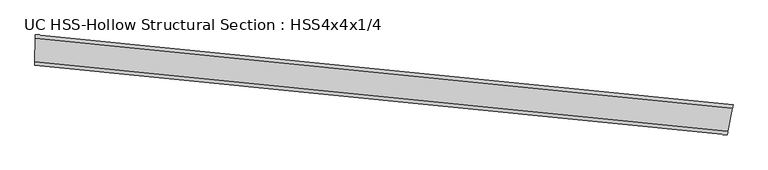
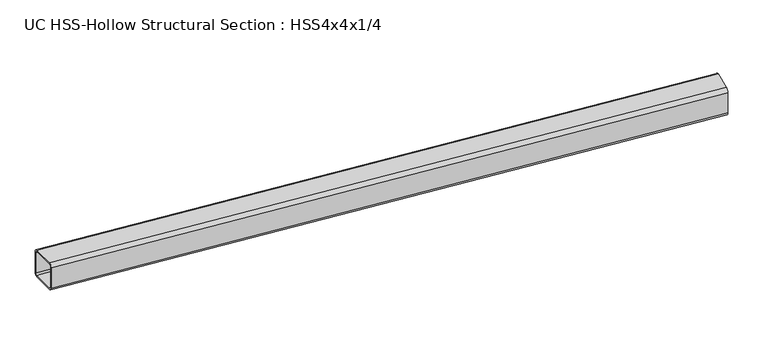
"""IFC4 building model written with IfcOpenShell, lengths in millimetres: beam geometry, UC HSS-Hollow Structural Section : HSS4x4x1/4."""

from ifc_helpers import new_model, si_unit, point, frame, origin, place, context, project, spatial, polyline, circle_curve, ellipse_curve, trimmed, source, transform, mapped, element, save
from ifc_brep_helpers import plane_surface, cylinder_surface, revolved_surface, advanced_brep


def uc_hss_hollow_structural_section_hss4x4x1_4_054de6a3(model_context):
    return source(origin(), model_context, "Body", "AdvancedBrep", [
        advanced_brep(
        [(2426.9563869, -183.4332025, 38.9636), (2424.6927358, -195.0511304, 50.8), (2409.7895569, -271.5399777, 50.8), (2407.5259059, -283.1579056, 38.9636), (2407.5259059, -283.1579056, -38.9636), (2409.7895569, -271.5399777, -50.8), (2424.6927358, -195.0511304, -50.8), (2426.9563869, -183.4332025, -38.9636), (2409.7895569, -271.5399777, 44.8818), (2424.6927358, -195.0511304, 44.8818), (2425.8245614, -189.2421664, 38.9636), (2425.8245614, -189.2421664, -38.9636), (2424.6927358, -195.0511304, -44.8818), (2409.7895569, -271.5399777, -44.8818), (2408.6577314, -277.3489416, -38.9636), (2408.6577314, -277.3489416, 38.9636), (91.3677854, 50.4710804, 38.9636), (91.3677854, 50.4710804, -38.9636), (91.2825656, 38.6349872, -50.8), (90.7215046, -39.290193, -50.8), (90.6362848, -51.1262862, -38.9636), (90.6362848, -51.1262862, 38.9636), (90.7215046, -39.290193, 50.8), (91.2825656, 38.6349872, 50.8), (90.7215046, -39.290193, 44.8818), (90.6788947, -45.2082396, 38.9636), (90.6788947, -45.2082396, -38.9636), (90.7215046, -39.290193, -44.8818), (91.2825656, 38.6349872, -44.8818), (91.3251755, 44.5530338, -38.9636), (91.3251755, 44.5530338, 38.9636), (91.2825656, 38.6349872, 44.8818)],
        [
            (0, 1, circle_curve(frame((2424.6927358, -195.0511304, 38.9636), z_axis=(0.9815423533469751, -0.19124489166009623, 0.0), x_axis=(-0.19124489166009623, -0.9815423533469751, 0.0)), 11.8364)),
            (1, 2),
            (2, 3, circle_curve(frame((2409.7895569, -271.5399777, 38.9636), z_axis=(0.981542353346975, -0.19124489166009667, 0.0), x_axis=(-0.19124489166009667, -0.981542353346975, 0.0)), 11.8364)),
            (3, 4),
            (4, 5, circle_curve(frame((2409.7895569, -271.5399777, -38.9636), z_axis=(0.981542353346975, -0.19124489166009667, 0.0), x_axis=(-0.19124489166009667, -0.981542353346975, 0.0)), 11.8364)),
            (5, 6),
            (6, 7, circle_curve(frame((2424.6927358, -195.0511304, -38.9636), z_axis=(0.9815423533469751, -0.19124489166009623, 0.0), x_axis=(-0.19124489166009623, -0.9815423533469751, 0.0)), 11.8364)),
            (7, 0),
            (8, 9),
            (9, 10, circle_curve(frame((2424.6927358, -195.0511304, 38.9636), z_axis=(-0.9815423533469751, 0.19124489166009623, 0.0), x_axis=(-0.19124489166009623, -0.9815423533469751, 0.0)), 5.9182)),
            (10, 11),
            (11, 12, circle_curve(frame((2424.6927358, -195.0511304, -38.9636), z_axis=(-0.981542353346975, 0.19124489166009667, 0.0), x_axis=(-0.19124489166009667, -0.981542353346975, 0.0)), 5.9182)),
            (12, 13),
            (13, 14, circle_curve(frame((2409.7895569, -271.5399777, -38.9636), z_axis=(-0.981542353346975, 0.19124489166009667, 0.0), x_axis=(-0.19124489166009667, -0.981542353346975, 0.0)), 5.9182)),
            (14, 15),
            (15, 8, circle_curve(frame((2409.7895569, -271.5399777, 38.9636), z_axis=(-0.9815423533469751, 0.19124489166009623, 0.0), x_axis=(-0.19124489166009623, -0.9815423533469751, 0.0)), 5.9182)),
            (16, 17),
            (17, 18, circle_curve(frame((91.2825656, 38.6349872, -38.9636), z_axis=(-0.9999740810399202, 0.007199808911850847, 0.0), x_axis=(-0.007199808911850847, -0.9999740810399202, 0.0)), 11.8364)),
            (18, 19),
            (19, 20, circle_curve(frame((90.7215046, -39.290193, -38.9636), z_axis=(-0.9999740810399202, 0.007199808911850847, 0.0), x_axis=(-0.007199808911850847, -0.9999740810399202, 0.0)), 11.8364)),
            (20, 21),
            (21, 22, circle_curve(frame((90.7215046, -39.290193, 38.9636), z_axis=(-0.9999740810399202, 0.007199808911851346, 0.0), x_axis=(-0.007199808911851346, -0.9999740810399202, 0.0)), 11.8364)),
            (22, 23),
            (23, 16, circle_curve(frame((91.2825656, 38.6349872, 38.9636), z_axis=(-0.9999740810399202, 0.007199808911850847, 0.0), x_axis=(-0.007199808911850847, -0.9999740810399202, 0.0)), 11.8364)),
            (24, 25, circle_curve(frame((90.7215046, -39.290193, 38.9636), z_axis=(0.9999740810399202, -0.007199808911850847, 0.0), x_axis=(-0.007199808911850847, -0.9999740810399202, 0.0)), 5.9182)),
            (25, 26),
            (26, 27, circle_curve(frame((90.7215046, -39.290193, -38.9636), z_axis=(0.9999740810399202, -0.007199808911850847, 0.0), x_axis=(-0.007199808911850847, -0.9999740810399202, 0.0)), 5.9182)),
            (27, 28),
            (28, 29, circle_curve(frame((91.2825656, 38.6349872, -38.9636), z_axis=(0.9999740810399202, -0.007199808911850847, 0.0), x_axis=(-0.007199808911850847, -0.9999740810399202, 0.0)), 5.9182)),
            (29, 30),
            (30, 31, circle_curve(frame((91.2825656, 38.6349872, 38.9636), z_axis=(0.9999740810399202, -0.007199808911850847, 0.0), x_axis=(-0.007199808911850847, -0.9999740810399202, 0.0)), 5.9182)),
            (31, 24),
            (0, 16, circle_curve(frame((0.0, -12639.5069975, 38.9636), z_axis=(0.0, 0.0, 1.0), x_axis=(-0.6825595256534506, -0.7308300034479542, 0.0)), 12690.3069975)),
            (23, 1, circle_curve(frame((0.0, -12639.5069975, 50.8), z_axis=(0.0, 0.0, -1.0), x_axis=(-0.6825595256534506, -0.7308300034479542, 0.0)), 12678.4705975)),
            (22, 2, circle_curve(frame((0.0, -12639.5069975, 50.8), z_axis=(0.0, 0.0, -1.0), x_axis=(-0.6825595256534506, -0.7308300034479542, 0.0)), 12600.5433975)),
            (21, 3, circle_curve(frame((0.0, -12639.5069975, 38.9636), z_axis=(0.0, 0.0, -1.0), x_axis=(-0.6825595256534506, -0.7308300034479542, 0.0)), 12588.7069975)),
            (20, 4, circle_curve(frame((0.0, -12639.5069975, -38.9636), z_axis=(0.0, 0.0, -1.0), x_axis=(-0.6825595256534506, -0.7308300034479542, 0.0)), 12588.7069975)),
            (19, 5, circle_curve(frame((0.0, -12639.5069975, -50.8), z_axis=(0.0, 0.0, -1.0), x_axis=(-0.6825595256534506, -0.7308300034479542, 0.0)), 12600.5433975)),
            (18, 6, circle_curve(frame((0.0, -12639.5069975, -50.8), z_axis=(0.0, 0.0, -1.0), x_axis=(-0.6825595256534506, -0.7308300034479542, 0.0)), 12678.4705975)),
            (17, 7, circle_curve(frame((0.0, -12639.5069975, -38.9636), z_axis=(0.0, 0.0, -1.0), x_axis=(-0.6825595256534506, -0.7308300034479542, 0.0)), 12690.3069975)),
            (8, 24, circle_curve(frame((0.0, -12639.5069975, 44.8818), z_axis=(0.0, 0.0, 1.0), x_axis=(-0.6825595256534506, -0.7308300034479542, 0.0)), 12600.5433975)),
            (31, 9, circle_curve(frame((0.0, -12639.5069975, 44.8818), z_axis=(0.0, 0.0, -1.0), x_axis=(-0.6825595256534506, -0.7308300034479542, 0.0)), 12678.4705975)),
            (30, 10, circle_curve(frame((0.0, -12639.5069975, 38.9636), z_axis=(0.0, 0.0, -1.0), x_axis=(-0.6825595256534506, -0.7308300034479542, 0.0)), 12684.3887975)),
            (29, 11, circle_curve(frame((0.0, -12639.5069975, -38.9636), z_axis=(0.0, 0.0, -1.0), x_axis=(-0.6825595256534506, -0.7308300034479542, 0.0)), 12684.3887975)),
            (28, 12, circle_curve(frame((0.0, -12639.5069975, -44.8818), z_axis=(0.0, 0.0, -1.0), x_axis=(-0.6825595256534506, -0.7308300034479542, 0.0)), 12678.4705975)),
            (27, 13, circle_curve(frame((0.0, -12639.5069975, -44.8818), z_axis=(0.0, 0.0, -1.0), x_axis=(-0.6825595256534506, -0.7308300034479542, 0.0)), 12600.5433975)),
            (26, 14, circle_curve(frame((0.0, -12639.5069975, -38.9636), z_axis=(0.0, 0.0, -1.0), x_axis=(-0.6825595256534506, -0.7308300034479542, 0.0)), 12594.6251975)),
            (25, 15, circle_curve(frame((0.0, -12639.5069975, 38.9636), z_axis=(0.0, 0.0, -1.0), x_axis=(-0.6825595256534506, -0.7308300034479542, 0.0)), 12594.6251975)),
        ],
        [
            plane_surface(frame((2417.2411464, -233.295554, 0.0), z_axis=(0.9815423533469739, -0.1912448916601025, 0.0), x_axis=(0.0, 0.0, 1.0))),
            plane_surface(frame((91.0020351, -0.3276029, 0.0), z_axis=(-0.9999740810399202, 0.007199808911857231, 0.0), x_axis=(0.0, 0.0, 1.0))),
            revolved_surface(trimmed(ellipse_curve(frame((-8653.8108771, -21905.313708, 38.9636), z_axis=(0.7308300034479589, -0.6825595256534456, 0.0), x_axis=(0.6825595256534456, 0.7308300034479589, 0.0)), 11.8364, 11.8364), [point((-8653.8108771, -21905.313708, 50.8))], [point((-8661.8899246, -21913.9641043, 38.9636))], True, "CARTESIAN"), (0.0, -12639.5069975, 0.0), (0.0, 0.0, -1.0000000000000002)),
            plane_surface(frame((0.0, -12639.5069975, 50.8), z_axis=(0.0, 0.0, 1.0000000000000002), x_axis=(-0.6825595256534506, -0.7308300034479542, 0.0))),
            revolved_surface(trimmed(ellipse_curve(frame((-8600.6209244, -21848.3621722, 38.9636), z_axis=(0.7308300034479589, -0.6825595256534456, 0.0), x_axis=(0.6825595256534456, 0.7308300034479589, 0.0)), 11.8364, 11.8364), [point((-8592.5418768, -21839.7117759, 38.9636))], [point((-8600.6209244, -21848.3621722, 50.8))], True, "CARTESIAN"), (0.0, -12639.5069975, 0.0), (0.0, 0.0, -1.0000000000000002)),
            revolved_surface(polyline([(-8592.541876803874, -21839.71177588821, -38.963600000000014), (-8592.541876803874, -21839.71177588821, 38.963600000000014)]), (0.0, -12639.5069975, 0.0), (0.0, 0.0, -1.0000000000000002)),
            revolved_surface(trimmed(ellipse_curve(frame((-8600.6209244, -21848.3621722, -38.9636), z_axis=(0.7308300034479589, -0.6825595256534456, 0.0), x_axis=(0.6825595256534456, 0.7308300034479589, 0.0)), 11.8364, 11.8364), [point((-8600.6209244, -21848.3621722, -50.8))], [point((-8592.5418768, -21839.7117759, -38.9636))], True, "CARTESIAN"), (0.0, -12639.5069975, 0.0), (0.0, 0.0, -1.0000000000000002)),
            plane_surface(frame((0.0, -12639.5069975, -50.8), z_axis=(0.0, 0.0, -1.0000000000000002), x_axis=(-0.6825595256534506, -0.7308300034479542, 0.0))),
            revolved_surface(trimmed(ellipse_curve(frame((-8653.8108771, -21905.313708, -38.9636), z_axis=(0.7308300034479589, -0.6825595256534456, 0.0), x_axis=(0.6825595256534456, 0.7308300034479589, 0.0)), 11.8364, 11.8364), [point((-8661.8899246, -21913.9641043, -38.9636))], [point((-8653.8108771, -21905.313708, -50.8))], True, "CARTESIAN"), (0.0, -12639.5069975, 0.0), (0.0, 0.0, -1.0000000000000002)),
            cylinder_surface(frame((0.0, -12639.5069975, 0.0), z_axis=(0.0, 0.0, -1.0000000000000002), x_axis=(-0.6825595256534506, -0.7308300034479542, 0.0)), 12690.3069975),
            plane_surface(frame((0.0, -12639.5069975, 44.8818), z_axis=(0.0, 0.0, -1.0000000000000002), x_axis=(-0.6825595256534506, -0.7308300034479542, 0.0))),
            revolved_surface(trimmed(ellipse_curve(frame((-8653.8108771, -21905.313708, 38.9636), z_axis=(-0.7308300034479589, 0.6825595256534456, 0.0), x_axis=(0.6825595256534456, 0.7308300034479589, 0.0)), 5.9182, 5.9182), [point((-8657.8504008, -21909.6389062, 38.9636))], [point((-8653.8108771, -21905.313708, 44.8818))], True, "CARTESIAN"), (0.0, -12639.5069975, 0.0), (0.0, 0.0, -1.0000000000000002)),
            revolved_surface(polyline([(-8657.850400825542, -21909.638906112115, -38.963600000000014), (-8657.850400825542, -21909.638906112115, 38.963600000000014)]), (0.0, -12639.5069975, 0.0), (0.0, 0.0, -1.0000000000000002)),
            revolved_surface(trimmed(ellipse_curve(frame((-8653.8108771, -21905.313708, -38.9636), z_axis=(-0.7308300034479589, 0.6825595256534456, 0.0), x_axis=(0.6825595256534456, 0.7308300034479589, 0.0)), 5.9182, 5.9182), [point((-8653.8108771, -21905.313708, -44.8818))], [point((-8657.8504008, -21909.6389062, -38.9636))], True, "CARTESIAN"), (0.0, -12639.5069975, 0.0), (0.0, 0.0, -1.0000000000000002)),
            plane_surface(frame((0.0, -12639.5069975, -44.8818), z_axis=(0.0, 0.0, 1.0000000000000002), x_axis=(-0.6825595256534506, -0.7308300034479542, 0.0))),
            revolved_surface(trimmed(ellipse_curve(frame((-8600.6209244, -21848.3621722, -38.9636), z_axis=(-0.7308300034479589, 0.6825595256534456, 0.0), x_axis=(0.6825595256534456, 0.7308300034479589, 0.0)), 5.9182, 5.9182), [point((-8596.5814006, -21844.0369741, -38.9636))], [point((-8600.6209244, -21848.3621722, -44.8818))], True, "CARTESIAN"), (0.0, -12639.5069975, 0.0), (0.0, 0.0, -1.0000000000000002)),
            cylinder_surface(frame((0.0, -12639.5069975, 0.0), z_axis=(0.0, 0.0, -1.0000000000000002), x_axis=(-0.6825595256534506, -0.7308300034479542, 0.0)), 12594.6251975),
            revolved_surface(trimmed(ellipse_curve(frame((-8600.6209244, -21848.3621722, 38.9636), z_axis=(-0.7308300034479589, 0.6825595256534456, 0.0), x_axis=(0.6825595256534456, 0.7308300034479589, 0.0)), 5.9182, 5.9182), [point((-8600.6209244, -21848.3621722, 44.8818))], [point((-8596.5814006, -21844.0369741, 38.9636))], True, "CARTESIAN"), (0.0, -12639.5069975, 0.0), (0.0, 0.0, -1.0000000000000002)),
        ],
        [
            (0, [[1, 2, 3, 4, 5, 6, 7, 8], [9, 10, 11, 12, 13, 14, 15, 16]]),
            (1, [[17, 18, 19, 20, 21, 22, 23, 24], [25, 26, 27, 28, 29, 30, 31, 32]]),
            (2, [[-1, 33, -24, 34]]),
            (3, [[-2, -34, -23, 35]]),
            (4, [[-3, -35, -22, 36]]),
            (5, [[-4, -36, -21, 37]]),
            (6, [[-5, -37, -20, 38]]),
            (7, [[-6, -38, -19, 39]]),
            (8, [[-7, -39, -18, 40]]),
            (9, [[-8, -40, -17, -33]]),
            (10, [[-9, 41, -32, 42]]),
            (11, [[-10, -42, -31, 43]]),
            (12, [[-11, -43, -30, 44]]),
            (13, [[-12, -44, -29, 45]]),
            (14, [[-13, -45, -28, 46]]),
            (15, [[-14, -46, -27, 47]]),
            (16, [[-15, -47, -26, 48]]),
            (17, [[-16, -48, -25, -41]]),
        ],
    ),
    ])


if __name__ == "__main__":
    model = new_model("IFC4")
    model_context = context("Model", 3, world=origin())
    ifc_project = project(units=[si_unit("LENGTHUNIT", "METRE", prefix="MILLI")], contexts=[model_context])
    site = spatial("IfcSite", under=ifc_project)
    building = spatial("IfcBuilding", under=site)
    placement = place(None, origin())
    uc_hss_hollow_structural_section_hss4x4x1_4_shape = uc_hss_hollow_structural_section_hss4x4x1_4_054de6a3(model_context)
    element("IfcBeam", 1, ObjectType="UC HSS-Hollow Structural Section : HSS4x4x1/4", at=placement, inside=building, context=model_context, shape_type="MappedRepresentation", body=[
        mapped(uc_hss_hollow_structural_section_hss4x4x1_4_shape, transform((0.0, 0.0, 0.0), x_axis=(1.0, 0.0, 0.0), y_axis=(0.0, 1.0, 0.0), z_axis=(0.0, 0.0, 1.0))),
    ])
    save(model, "model.ifc")
